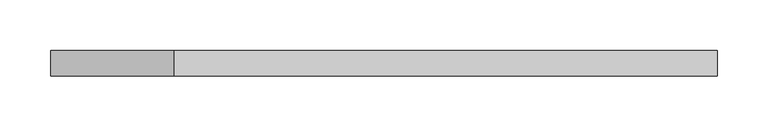
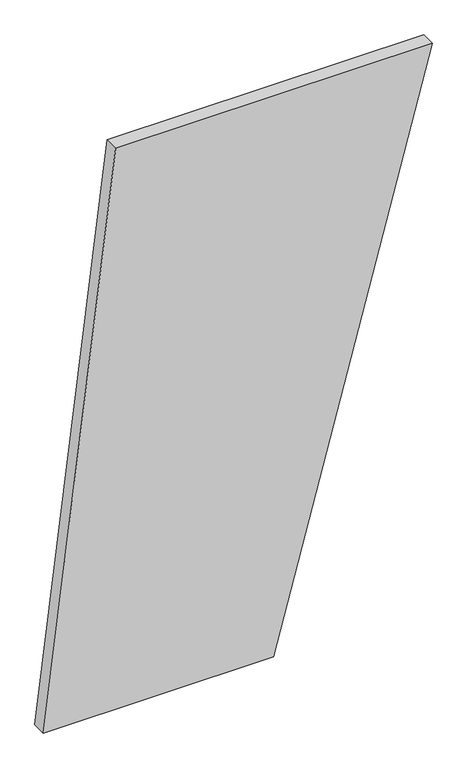
"""IFC4 building model written with IfcOpenShell, lengths in millimetres: plate geometry."""

from ifc_helpers import new_model, si_unit, frame, origin, place, context, project, spatial, polyline, outline, extrude, source, transform, mapped, element, save


def plate_1866e63a(model_context):
    return source(origin(), model_context, "Body", "SweptSolid", [
        extrude(outline(polyline([(0.0, -328.1362453), (0.0, 60.1870529), (1000.0, 328.1362453), (1000.0, -206.4243122), (0.0, -328.1362453)])), frame((0.0, 24.5, 0.0), z_axis=(0.0, 1.0, 0.0), x_axis=(0.0, 0.0, 1.0)), (0.0, 0.0, 1.0), 25.0),
    ])


if __name__ == "__main__":
    model = new_model("IFC4")
    model_context = context("Model", 3, world=origin())
    ifc_project = project(units=[si_unit("LENGTHUNIT", "METRE", prefix="MILLI")], contexts=[model_context])
    site = spatial("IfcSite", under=ifc_project)
    building = spatial("IfcBuilding", under=site)
    placement = place(None, origin())
    plate_shape = plate_1866e63a(model_context)
    element("IfcPlate", 1, at=placement, inside=building, context=model_context, shape_type="MappedRepresentation", body=[
        mapped(plate_shape, transform((0.0, 0.0, 0.0), x_axis=(1.0, 0.0, 0.0), y_axis=(0.0, 1.0, 0.0), z_axis=(0.0, 0.0, 1.0))),
    ])
    save(model, "model.ifc")
